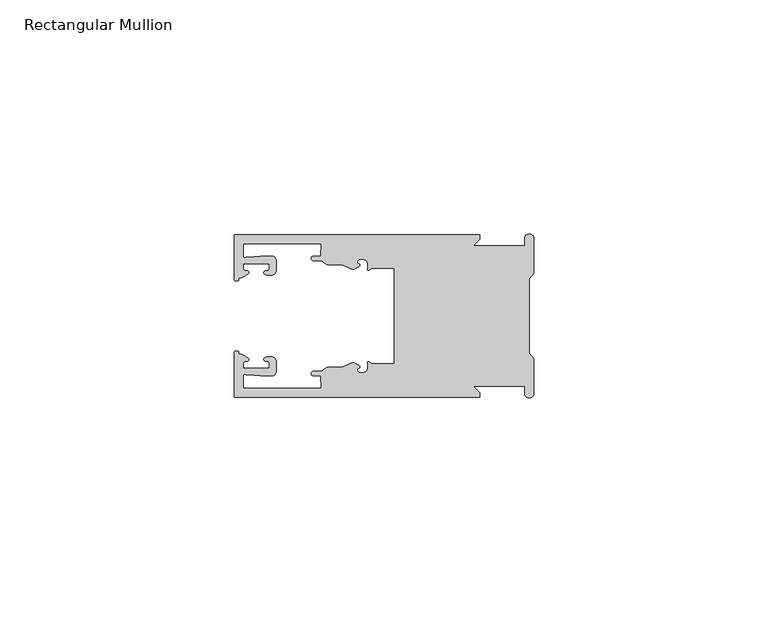
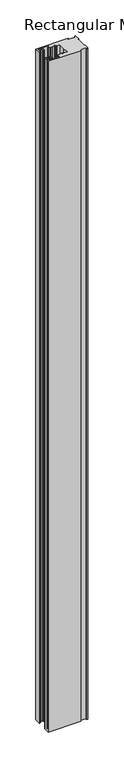
"""IFC4 building model written with IfcOpenShell, lengths in millimetres: member geometry, Rectangular Mullion."""

from ifc_helpers import new_model, si_unit, frame, origin, place, context, project, spatial, polyline, circle_curve, source, transform, mapped, element, save
from ifc_brep_helpers import plane_surface, cylinder_surface, revolved_surface, extruded_surface, spline_curve, advanced_brep


def rectangular_mullion_60d7e8dc(model_context):
    return source(origin(), model_context, "Body", "AdvancedBrep", [
        advanced_brep(
        [(-11.5387897, 17.4000478, 0.0), (-64.0387868, 17.4000478, 0.0), (-64.0387868, 7.8350057, 0.0), (-63.2884687, 7.5412947, 0.0), (-62.4614154, 8.1921895, 0.0), (-62.0410649, 9.9426451, 0.0), (-62.0424168, 11.1926444, 0.0), (-56.54242, 11.1985924, 0.0), (-56.5410682, 9.9485931, 0.0), (-57.1085345, 8.7314723, 0.0), (-56.0397166, 8.6991345, 0.0), (-55.0407987, 9.7002154, 0.0), (-55.0430697, 11.8002142, 0.0), (-56.0446364, 12.7991315, 0.0), (-58.3650753, 12.7954945, 0.0), (-61.1340054, 12.5502269, 0.0), (-62.044093, 12.7426435, 0.0), (-62.0469668, 15.4000478, 0.0), (-45.4240312, 15.4000478, 0.0), (-45.5732135, 12.8000478, 0.0), (-47.0387868, 12.8000478, 0.0), (-47.0387868, 11.8000478, 0.0), (-45.2543363, 11.8000478, 0.0), (-43.6387868, 10.9000478, 0.0), (-41.0454034, 10.9000478, 0.0), (-38.5697136, 9.8718293, 0.0), (-37.5387868, 10.4670351, 0.0), (-37.6803436, 11.4201497, 0.0), (-37.0270763, 12.1583697, 0.0), (-36.2010815, 12.0127245, 0.0), (-35.54, 11.2248783, 0.0), (-35.54, 10.0, 0.0), (-34.7705791, 10.25, 0.0), (-29.79, 10.25, 0.0), (-29.79, 0.0, 0.0), (-29.79, -10.25, 0.0), (-34.7705791, -10.25, 0.0), (-35.54, -10.0, 0.0), (-35.54, -11.2248783, 0.0), (-36.2010815, -12.0127245, 0.0), (-37.0270763, -12.1583697, 0.0), (-37.6803436, -11.4201497, 0.0), (-37.5387868, -10.4670351, 0.0), (-38.5697136, -9.8718293, 0.0), (-41.0454034, -10.9000478, 0.0), (-43.6387868, -10.9000478, 0.0), (-45.2543363, -11.8000478, 0.0), (-47.0387868, -11.8000478, 0.0), (-47.0387868, -12.8000478, 0.0), (-45.5732135, -12.8000478, 0.0), (-45.4240312, -15.4000478, 0.0), (-62.0469668, -15.4000478, 0.0), (-62.044093, -12.7426435, 0.0), (-61.1340054, -12.5502269, 0.0), (-58.3650753, -12.7954945, 0.0), (-56.0446364, -12.7991314, 0.0), (-55.0430697, -11.8002142, 0.0), (-55.0407987, -9.7002154, 0.0), (-56.0397166, -8.6991345, 0.0), (-57.1085345, -8.7314723, 0.0), (-56.5410682, -9.9485931, 0.0), (-56.54242, -11.1985924, 0.0), (-62.0424168, -11.1926444, 0.0), (-62.0410649, -9.9426451, 0.0), (-62.4614154, -8.1921895, 0.0), (-63.2884687, -7.5412947, 0.0), (-64.0387868, -7.8350057, 0.0), (-64.0387868, -17.4000478, 0.0), (-11.5387897, -17.4000478, 0.0), (-11.5387897, -16.4000449, 0.0), (-12.9388346, -15.0, 0.0), (-2.0, -15.0, 0.0), (-2.0, -16.5, 0.0), (0.0, -16.5, 0.0), (0.0, -9.1160254, 0.0), (-1.0, -7.9613249, 0.0), (-1.0, 0.0, 0.0), (-1.0, 7.9613249, 0.0), (0.0, 9.1160254, 0.0), (0.0, 16.5, 0.0), (-2.0, 16.5, 0.0), (-2.0, 15.0, 0.0), (-12.9388346, 15.0, 0.0), (-11.5387897, 16.4000449, 0.0), (-11.5387897, 17.4000478, -1143.0000002), (-11.5387897, 16.4000449, -1143.0000002), (-12.9388346, 15.0, -1143.0000002), (-2.0, 15.0, -1143.0000002), (-2.0, 16.5, -1143.0000002), (0.0, 16.5, -1143.0000002), (0.0, 9.1160254, -1143.0000002), (-1.0, 7.9613249, -1143.0000002), (-1.0, 0.0, -1143.0000002), (-1.0, -7.9613249, -1143.0000002), (0.0, -9.1160254, -1143.0000002), (0.0, -16.5, -1143.0000002), (-2.0, -16.5, -1143.0000002), (-2.0, -15.0, -1143.0000002), (-12.9388346, -15.0, -1143.0000002), (-11.5387897, -16.4000449, -1143.0000002), (-11.5387897, -17.4000478, -1143.0000002), (-64.0387868, -17.4000478, -1143.0000002), (-64.0387868, -7.8350057, -1143.0000002), (-63.2884687, -7.5412947, -1143.0000002), (-62.4614154, -8.1921895, -1143.0000002), (-62.0410649, -9.9426451, -1143.0000002), (-62.0424168, -11.1926444, -1143.0000002), (-56.54242, -11.1985924, -1143.0000002), (-56.5410682, -9.9485931, -1143.0000002), (-57.1085345, -8.7314723, -1143.0000002), (-56.0397166, -8.6991345, -1143.0000002), (-55.0407987, -9.7002154, -1143.0000002), (-55.0430697, -11.8002142, -1143.0000002), (-56.0446364, -12.7991315, -1143.0000002), (-58.3650753, -12.7954945, -1143.0000002), (-61.1340054, -12.5502269, -1143.0000002), (-62.044093, -12.7426435, -1143.0000002), (-62.0469668, -15.4000478, -1143.0000002), (-45.4240312, -15.4000478, -1143.0000002), (-45.5732135, -12.8000478, -1143.0000002), (-47.0387868, -12.8000478, -1143.0000002), (-47.0387868, -11.8000478, -1143.0000002), (-45.2543363, -11.8000478, -1143.0000002), (-43.6387868, -10.9000478, -1143.0000002), (-41.0454034, -10.9000478, -1143.0000002), (-38.5697136, -9.8718293, -1143.0000002), (-37.5387868, -10.4670351, -1143.0000002), (-37.6803436, -11.4201497, -1143.0000002), (-37.0270763, -12.1583697, -1143.0000002), (-36.2010815, -12.0127245, -1143.0000002), (-35.54, -11.2248783, -1143.0000002), (-35.54, -10.0, -1143.0000002), (-34.7705791, -10.25, -1143.0000002), (-29.79, -10.25, -1143.0000002), (-29.79, 0.0, -1143.0000002), (-29.79, 10.25, -1143.0000002), (-34.7705791, 10.25, -1143.0000002), (-35.54, 10.0, -1143.0000002), (-35.54, 11.2248783, -1143.0000002), (-36.2010815, 12.0127245, -1143.0000002), (-37.0270763, 12.1583697, -1143.0000002), (-37.6803436, 11.4201497, -1143.0000002), (-37.5387868, 10.4670351, -1143.0000002), (-38.5697136, 9.8718293, -1143.0000002), (-41.0454034, 10.9000478, -1143.0000002), (-43.6387868, 10.9000478, -1143.0000002), (-45.2543363, 11.8000478, -1143.0000002), (-47.0387868, 11.8000478, -1143.0000002), (-47.0387868, 12.8000478, -1143.0000002), (-45.5732135, 12.8000478, -1143.0000002), (-45.4240312, 15.4000478, -1143.0000002), (-62.0469668, 15.4000478, -1143.0000002), (-62.044093, 12.7426435, -1143.0000002), (-61.1340054, 12.5502269, -1143.0000002), (-58.3650753, 12.7954945, -1143.0000002), (-56.0446364, 12.7991314, -1143.0000002), (-55.0430697, 11.8002142, -1143.0000002), (-55.0407987, 9.7002154, -1143.0000002), (-56.0397166, 8.6991345, -1143.0000002), (-57.1085345, 8.7314723, -1143.0000002), (-56.5410682, 9.9485931, -1143.0000002), (-56.54242, 11.1985924, -1143.0000002), (-62.0424168, 11.1926444, -1143.0000002), (-62.0410649, 9.9426451, -1143.0000002), (-62.4614154, 8.1921895, -1143.0000002), (-63.2884687, 7.5412947, -1143.0000002), (-64.0387868, 7.8350057, -1143.0000002), (-64.0387868, 17.4000478, -1143.0000002)],
        [
            (0, 1),
            (1, 2),
            (2, 3, spline_curve(3, [(-64.0387868, 7.8350057, 0.0), (-64.038491377, 7.561831774, 0.0), (-63.788385325, 7.463928087, 0.0), (-63.2884687, 7.5412947, 0.0)], [4, 4], [0.0, 0.0019169337574178654])),
            (3, 4, spline_curve(3, [(-63.2884687, 7.5412947, 0.0), (-63.057760917, 7.582232011, 0.0), (-63.018445067, 7.725390894, 0.0), (-63.019925494, 8.056436881, 0.0), (-63.103444208, 8.236386866, 0.0), (-62.4614154, 8.1921895, 0.0)], [4, 2, 4], [0.0, 0.0010199524164107188, 0.0024874514725970356])),
            (4, 5, spline_curve(3, [(-62.4614154, 8.1921895, 0.0), (-60.988497673, 8.880962536, 0.0), (-60.794045122, 9.192776957, 0.0), (-60.949808078, 9.57023562, 0.0), (-61.145214014, 9.682771697, 0.0), (-61.665835706, 9.714019003, 0.0), (-61.965242574, 9.660891484, 0.0), (-62.0410649, 9.9426451, 0.0)], [4, 2, 2, 4], [0.0, 0.003269869179570428, 0.005490050486237203, 0.0073545767114364426])),
            (5, 6),
            (6, 7),
            (7, 8),
            (8, 9, spline_curve(3, [(-56.5410682, 9.9485931, 0.0), (-56.634838635, 9.597117104, 0.0), (-56.904956774, 9.698238818, 0.0), (-57.324171444, 9.731086209, 0.0), (-57.45969165, 9.646199885, 0.0), (-57.729003352, 9.346016011, 0.0), (-57.859492582, 9.113082158, 0.0), (-57.1085345, 8.7314723, 0.0)], [4, 2, 2, 4], [0.0, 0.001593963049934732, 0.0033360256320283306, 0.005339140673503943])),
            (9, 10),
            (10, 11, circle_curve(frame((-56.0407981, 9.699134, 0.0), z_axis=(0.0, 0.0, 1.0), x_axis=(0.0010814451158627505, -0.9999994152380598, 0.0)), 1.0)),
            (11, 12),
            (12, 13, circle_curve(frame((-56.0430691, 11.7991327, 0.0), z_axis=(0.0, 0.0, 1.0), x_axis=(0.0010814451158627505, -0.9999994152380598, 0.0)), 1.0)),
            (13, 14),
            (14, 15),
            (15, 16, spline_curve(3, [(-61.1340054, 12.5502269, 0.0), (-61.605485428, 12.508463911, 0.0), (-61.992111419, 12.303164326, 0.0), (-62.044093, 12.7426435, 0.0)], [4, 4], [0.0, 0.0014803385355886016])),
            (16, 17),
            (17, 18),
            (18, 19),
            (19, 20),
            (20, 21, circle_curve(frame((-47.0387868, 12.3000478, 0.0), z_axis=(0.0, 0.0, 1.0), x_axis=(0.0, -1.0, 0.0)), 0.5)),
            (21, 22),
            (22, 23, circle_curve(frame((-43.6387868, 12.8000478, 0.0), z_axis=(0.0, 0.0, 1.0), x_axis=(0.0, -1.0, 0.0)), 1.9)),
            (23, 24),
            (24, 25),
            (25, 26),
            (26, 27, spline_curve(3, [(-37.5387868, 10.4670351, 0.0), (-36.973919853, 10.833863985, 0.0), (-37.198159645, 11.135696286, 0.0), (-37.587892011, 11.260246073, 0.0), (-37.754584192, 11.180452419, 0.0), (-37.6803436, 11.4201497, 0.0)], [4, 2, 4], [0.0, 0.0019283703160353726, 0.003394584635652914])),
            (27, 28, circle_curve(frame((-37.0434863, 11.5147359, 0.0), z_axis=(0.0, 0.0, -1.0), x_axis=(0.0, -1.0, 0.0)), 0.643843)),
            (28, 29),
            (29, 30, circle_curve(frame((-36.34, 11.2248783, 0.0), z_axis=(0.0, 0.0, -1.0), x_axis=(0.0, -1.0, 0.0)), 0.8)),
            (30, 31),
            (31, 32, spline_curve(3, [(-35.54, 10.0, 0.0), (-35.440000238, 9.598293201, 0.0), (-35.183526594, 9.681626535, 0.0), (-34.7705791, 10.25, 0.0)], [4, 4], [0.0, 0.0027473296990141553])),
            (32, 33),
            (33, 34),
            (34, 35),
            (35, 36),
            (36, 37, spline_curve(3, [(-34.7705791, -10.25, 0.0), (-35.183526594, -9.681626535, 0.0), (-35.440000238, -9.598293201, 0.0), (-35.54, -10.0, 0.0)], [4, 4], [0.0, 0.0027473296990141553])),
            (37, 38),
            (38, 39, circle_curve(frame((-36.34, -11.2248783, 0.0), z_axis=(0.0, 0.0, -1.0), x_axis=(0.0, 1.0, 0.0)), 0.8)),
            (39, 40),
            (40, 41, circle_curve(frame((-37.0434863, -11.5147359, 0.0), z_axis=(0.0, 0.0, -1.0), x_axis=(0.0, 1.0, 0.0)), 0.643843)),
            (41, 42, spline_curve(3, [(-37.6803436, -11.4201497, 0.0), (-37.754584192, -11.180452419, 0.0), (-37.587892011, -11.260246073, 0.0), (-37.198159645, -11.135696286, 0.0), (-36.973919853, -10.833863985, 0.0), (-37.5387868, -10.4670351, 0.0)], [4, 2, 4], [0.0, 0.0014662143196175414, 0.003394584635652914])),
            (42, 43),
            (43, 44),
            (44, 45),
            (45, 46, circle_curve(frame((-43.6387868, -12.8000478, 0.0), z_axis=(0.0, 0.0, 1.0), x_axis=(0.0, 1.0, 0.0)), 1.9)),
            (46, 47),
            (47, 48, circle_curve(frame((-47.0387868, -12.3000478, 0.0), z_axis=(0.0, 0.0, 1.0), x_axis=(0.0, 1.0, 0.0)), 0.5)),
            (48, 49),
            (49, 50),
            (50, 51),
            (51, 52),
            (52, 53, spline_curve(3, [(-62.044093, -12.7426435, 0.0), (-61.992111419, -12.303164326, 0.0), (-61.605485428, -12.508463911, 0.0), (-61.1340054, -12.5502269, 0.0)], [4, 4], [0.0, 0.0014803385355886016])),
            (53, 54),
            (54, 55),
            (55, 56, circle_curve(frame((-56.0430691, -11.7991327, 0.0), z_axis=(0.0, 0.0, 1.0), x_axis=(0.001081445115855867, 0.9999994152380598, 0.0)), 1.0)),
            (56, 57),
            (57, 58, circle_curve(frame((-56.0407981, -9.699134, 0.0), z_axis=(0.0, 0.0, 1.0), x_axis=(0.001081445115855867, 0.9999994152380598, 0.0)), 1.0)),
            (58, 59),
            (59, 60, spline_curve(3, [(-57.1085345, -8.7314723, 0.0), (-57.859492582, -9.113082158, 0.0), (-57.729003352, -9.346016011, 0.0), (-57.45969165, -9.646199885, 0.0), (-57.324171444, -9.731086209, 0.0), (-56.904956774, -9.698238818, 0.0), (-56.634838635, -9.597117104, 0.0), (-56.5410682, -9.9485931, 0.0)], [4, 2, 2, 4], [0.0, 0.002003115041475612, 0.0037451776235692107, 0.005339140673503943])),
            (60, 61),
            (61, 62),
            (62, 63),
            (63, 64, spline_curve(3, [(-62.0410649, -9.9426451, 0.0), (-61.965242574, -9.660891484, 0.0), (-61.665835706, -9.714019003, 0.0), (-61.145214014, -9.682771697, 0.0), (-60.949808078, -9.57023562, 0.0), (-60.794045122, -9.192776957, 0.0), (-60.988497673, -8.880962536, 0.0), (-62.4614154, -8.1921895, 0.0)], [4, 2, 2, 4], [0.0, 0.0018645262251992395, 0.004084707531866015, 0.0073545767114364426])),
            (64, 65, spline_curve(3, [(-62.4614154, -8.1921895, 0.0), (-63.103444208, -8.236386866, 0.0), (-63.019925494, -8.056436881, 0.0), (-63.018445067, -7.725390894, 0.0), (-63.057760917, -7.582232011, 0.0), (-63.2884687, -7.5412947, 0.0)], [4, 2, 4], [0.0, 0.0014674990561863168, 0.0024874514725970356])),
            (65, 66, spline_curve(3, [(-63.2884687, -7.5412947, 0.0), (-63.788385325, -7.463928087, 0.0), (-64.038491377, -7.561831774, 0.0), (-64.0387868, -7.8350057, 0.0)], [4, 4], [0.0, 0.0019169337574178654])),
            (66, 67),
            (67, 68),
            (68, 69),
            (69, 70),
            (70, 71),
            (71, 72),
            (72, 73, circle_curve(frame((-1.0, -16.5, 0.0), z_axis=(0.0, 0.0, 1.0), x_axis=(0.0, 1.0, 0.0)), 1.0)),
            (73, 74),
            (74, 75),
            (75, 76),
            (76, 77),
            (77, 78),
            (78, 79),
            (79, 80, circle_curve(frame((-1.0, 16.5, 0.0), z_axis=(0.0, 0.0, 1.0), x_axis=(0.0, -1.0, 0.0)), 1.0)),
            (80, 81),
            (81, 82),
            (82, 83),
            (83, 0),
            (84, 85),
            (85, 86),
            (86, 87),
            (87, 88),
            (88, 89, circle_curve(frame((-1.0, 16.5, -1143.0000002), z_axis=(0.0, 0.0, -1.0), x_axis=(0.0, -1.0, 0.0)), 1.0)),
            (89, 90),
            (90, 91),
            (91, 92),
            (92, 93),
            (93, 94),
            (94, 95),
            (95, 96, circle_curve(frame((-1.0, -16.5, -1143.0000002), z_axis=(0.0, 0.0, -1.0), x_axis=(0.0, 1.0, 0.0)), 1.0)),
            (96, 97),
            (97, 98),
            (98, 99),
            (99, 100),
            (100, 101),
            (101, 102),
            (102, 103, spline_curve(3, [(-64.0387868, -7.8350057, -1143.0000002), (-64.038491377, -7.561831774, -1143.0000002), (-63.788385325, -7.463928087, -1143.0000002), (-63.2884687, -7.5412947, -1143.0000002)], [4, 4], [0.0, 0.0019169337574178654])),
            (103, 104, spline_curve(3, [(-63.2884687, -7.5412947, -1143.0000002), (-63.057760917, -7.582232011, -1143.0000002), (-63.018445067, -7.725390894, -1143.0000002), (-63.019925494, -8.056436881, -1143.0000002), (-63.103444208, -8.236386866, -1143.0000002), (-62.4614154, -8.1921895, -1143.0000002)], [4, 2, 4], [0.0, 0.0010199524164107188, 0.0024874514725970356])),
            (104, 105, spline_curve(3, [(-62.4614154, -8.1921895, -1143.0000002), (-60.988497673, -8.880962536, -1143.0000002), (-60.794045122, -9.192776957, -1143.0000002), (-60.949808078, -9.57023562, -1143.0000002), (-61.145214014, -9.682771697, -1143.0000002), (-61.665835706, -9.714019003, -1143.0000002), (-61.965242574, -9.660891484, -1143.0000002), (-62.0410649, -9.9426451, -1143.0000002)], [4, 2, 2, 4], [0.0, 0.003269869179570428, 0.005490050486237203, 0.0073545767114364426])),
            (105, 106),
            (106, 107),
            (107, 108),
            (108, 109, spline_curve(3, [(-56.5410682, -9.9485931, -1143.0000002), (-56.634838635, -9.597117104, -1143.0000002), (-56.904956774, -9.698238818, -1143.0000002), (-57.324171444, -9.731086209, -1143.0000002), (-57.45969165, -9.646199885, -1143.0000002), (-57.729003352, -9.346016011, -1143.0000002), (-57.859492582, -9.113082158, -1143.0000002), (-57.1085345, -8.7314723, -1143.0000002)], [4, 2, 2, 4], [0.0, 0.001593963049934732, 0.0033360256320283306, 0.005339140673503943])),
            (109, 110),
            (110, 111, circle_curve(frame((-56.0407981, -9.699134, -1143.0000002), z_axis=(0.0, 0.0, -1.0), x_axis=(0.001081445115855867, 0.9999994152380598, 0.0)), 1.0)),
            (111, 112),
            (112, 113, circle_curve(frame((-56.0430691, -11.7991327, -1143.0000002), z_axis=(0.0, 0.0, -1.0), x_axis=(0.001081445115855867, 0.9999994152380598, 0.0)), 1.0)),
            (113, 114),
            (114, 115),
            (115, 116, spline_curve(3, [(-61.1340054, -12.5502269, -1143.0000002), (-61.605485428, -12.508463911, -1143.0000002), (-61.992111419, -12.303164326, -1143.0000002), (-62.044093, -12.7426435, -1143.0000002)], [4, 4], [0.0, 0.0014803385355886016])),
            (116, 117),
            (117, 118),
            (118, 119),
            (119, 120),
            (120, 121, circle_curve(frame((-47.0387868, -12.3000478, -1143.0000002), z_axis=(0.0, 0.0, -1.0), x_axis=(0.0, 1.0, 0.0)), 0.5)),
            (121, 122),
            (122, 123, circle_curve(frame((-43.6387868, -12.8000478, -1143.0000002), z_axis=(0.0, 0.0, -1.0), x_axis=(0.0, 1.0, 0.0)), 1.9)),
            (123, 124),
            (124, 125),
            (125, 126),
            (126, 127, spline_curve(3, [(-37.5387868, -10.4670351, -1143.0000002), (-36.973919853, -10.833863985, -1143.0000002), (-37.198159645, -11.135696286, -1143.0000002), (-37.587892011, -11.260246073, -1143.0000002), (-37.754584192, -11.180452419, -1143.0000002), (-37.6803436, -11.4201497, -1143.0000002)], [4, 2, 4], [0.0, 0.0019283703160353726, 0.003394584635652914])),
            (127, 128, circle_curve(frame((-37.0434863, -11.5147359, -1143.0000002), z_axis=(0.0, 0.0, 1.0), x_axis=(0.0, 1.0, 0.0)), 0.643843)),
            (128, 129),
            (129, 130, circle_curve(frame((-36.34, -11.2248783, -1143.0000002), z_axis=(0.0, 0.0, 1.0), x_axis=(0.0, 1.0, 0.0)), 0.8)),
            (130, 131),
            (131, 132, spline_curve(3, [(-35.54, -10.0, -1143.0000002), (-35.440000238, -9.598293201, -1143.0000002), (-35.183526594, -9.681626535, -1143.0000002), (-34.7705791, -10.25, -1143.0000002)], [4, 4], [0.0, 0.0027473296990141553])),
            (132, 133),
            (133, 134),
            (134, 135),
            (135, 136),
            (136, 137, spline_curve(3, [(-34.7705791, 10.25, -1143.0000002), (-35.183526594, 9.681626535, -1143.0000002), (-35.440000238, 9.598293201, -1143.0000002), (-35.54, 10.0, -1143.0000002)], [4, 4], [0.0, 0.0027473296990141553])),
            (137, 138),
            (138, 139, circle_curve(frame((-36.34, 11.2248783, -1143.0000002), z_axis=(0.0, 0.0, 1.0), x_axis=(0.0, -1.0, 0.0)), 0.8)),
            (139, 140),
            (140, 141, circle_curve(frame((-37.0434863, 11.5147359, -1143.0000002), z_axis=(0.0, 0.0, 1.0), x_axis=(0.0, -1.0, 0.0)), 0.643843)),
            (141, 142, spline_curve(3, [(-37.6803436, 11.4201497, -1143.0000002), (-37.754584192, 11.180452419, -1143.0000002), (-37.587892011, 11.260246073, -1143.0000002), (-37.198159645, 11.135696286, -1143.0000002), (-36.973919853, 10.833863985, -1143.0000002), (-37.5387868, 10.4670351, -1143.0000002)], [4, 2, 4], [0.0, 0.0014662143196175414, 0.003394584635652914])),
            (142, 143),
            (143, 144),
            (144, 145),
            (145, 146, circle_curve(frame((-43.6387868, 12.8000478, -1143.0000002), z_axis=(0.0, 0.0, -1.0), x_axis=(0.0, -1.0, 0.0)), 1.9)),
            (146, 147),
            (147, 148, circle_curve(frame((-47.0387868, 12.3000478, -1143.0000002), z_axis=(0.0, 0.0, -1.0), x_axis=(0.0, -1.0, 0.0)), 0.5)),
            (148, 149),
            (149, 150),
            (150, 151),
            (151, 152),
            (152, 153, spline_curve(3, [(-62.044093, 12.7426435, -1143.0000002), (-61.992111419, 12.303164326, -1143.0000002), (-61.605485428, 12.508463911, -1143.0000002), (-61.1340054, 12.5502269, -1143.0000002)], [4, 4], [0.0, 0.0014803385355886016])),
            (153, 154),
            (154, 155),
            (155, 156, circle_curve(frame((-56.0430691, 11.7991327, -1143.0000002), z_axis=(0.0, 0.0, -1.0), x_axis=(0.0010814451158627505, -0.9999994152380598, 0.0)), 1.0)),
            (156, 157),
            (157, 158, circle_curve(frame((-56.0407981, 9.699134, -1143.0000002), z_axis=(0.0, 0.0, -1.0), x_axis=(0.0010814451158627505, -0.9999994152380598, 0.0)), 1.0)),
            (158, 159),
            (159, 160, spline_curve(3, [(-57.1085345, 8.7314723, -1143.0000002), (-57.859492582, 9.113082158, -1143.0000002), (-57.729003352, 9.346016011, -1143.0000002), (-57.45969165, 9.646199885, -1143.0000002), (-57.324171444, 9.731086209, -1143.0000002), (-56.904956774, 9.698238818, -1143.0000002), (-56.634838635, 9.597117104, -1143.0000002), (-56.5410682, 9.9485931, -1143.0000002)], [4, 2, 2, 4], [0.0, 0.002003115041475612, 0.0037451776235692107, 0.005339140673503943])),
            (160, 161),
            (161, 162),
            (162, 163),
            (163, 164, spline_curve(3, [(-62.0410649, 9.9426451, -1143.0000002), (-61.965242574, 9.660891484, -1143.0000002), (-61.665835706, 9.714019003, -1143.0000002), (-61.145214014, 9.682771697, -1143.0000002), (-60.949808078, 9.57023562, -1143.0000002), (-60.794045122, 9.192776957, -1143.0000002), (-60.988497673, 8.880962536, -1143.0000002), (-62.4614154, 8.1921895, -1143.0000002)], [4, 2, 2, 4], [0.0, 0.0018645262251992395, 0.004084707531866015, 0.0073545767114364426])),
            (164, 165, spline_curve(3, [(-62.4614154, 8.1921895, -1143.0000002), (-63.103444208, 8.236386866, -1143.0000002), (-63.019925494, 8.056436881, -1143.0000002), (-63.018445067, 7.725390894, -1143.0000002), (-63.057760917, 7.582232011, -1143.0000002), (-63.2884687, 7.5412947, -1143.0000002)], [4, 2, 4], [0.0, 0.0014674990561863168, 0.0024874514725970356])),
            (165, 166, spline_curve(3, [(-63.2884687, 7.5412947, -1143.0000002), (-63.788385325, 7.463928087, -1143.0000002), (-64.038491377, 7.561831774, -1143.0000002), (-64.0387868, 7.8350057, -1143.0000002)], [4, 4], [0.0, 0.0019169337574178654])),
            (166, 167),
            (167, 84),
            (0, 84),
            (167, 1),
            (166, 2),
            (165, 3),
            (164, 4),
            (163, 5),
            (162, 6),
            (161, 7),
            (160, 8),
            (159, 9),
            (158, 10),
            (157, 11),
            (156, 12),
            (155, 13),
            (154, 14),
            (153, 15),
            (152, 16),
            (151, 17),
            (150, 18),
            (149, 19),
            (148, 20),
            (147, 21),
            (146, 22),
            (145, 23),
            (144, 24),
            (143, 25),
            (142, 26),
            (141, 27),
            (140, 28),
            (139, 29),
            (138, 30),
            (137, 31),
            (136, 32),
            (135, 33),
            (134, 34),
            (133, 35),
            (132, 36),
            (131, 37),
            (130, 38),
            (129, 39),
            (128, 40),
            (127, 41),
            (126, 42),
            (125, 43),
            (124, 44),
            (123, 45),
            (122, 46),
            (121, 47),
            (120, 48),
            (119, 49),
            (118, 50),
            (117, 51),
            (116, 52),
            (115, 53),
            (114, 54),
            (113, 55),
            (112, 56),
            (111, 57),
            (110, 58),
            (109, 59),
            (108, 60),
            (107, 61),
            (106, 62),
            (105, 63),
            (104, 64),
            (103, 65),
            (102, 66),
            (101, 67),
            (100, 68),
            (99, 69),
            (98, 70),
            (97, 71),
            (96, 72),
            (95, 73),
            (94, 74),
            (93, 75),
            (92, 76),
            (91, 77),
            (90, 78),
            (89, 79),
            (88, 80),
            (87, 81),
            (86, 82),
            (85, 83),
        ],
        [
            plane_surface(frame((0.0, -66.3605898, 0.0), z_axis=(0.0, 0.0, 1.0), x_axis=(-1.0, 0.0, 0.0))),
            plane_surface(frame((0.0, -66.3605898, -1143.0000002), z_axis=(0.0, 0.0, -1.0), x_axis=(-1.0, 0.0, 0.0))),
            plane_surface(frame((-11.5387897, 17.4000478, 0.0), z_axis=(0.0, 1.0, 0.0), x_axis=(0.0, 0.0, -1.0))),
            plane_surface(frame((-64.0387868, 17.4000478, 0.0), z_axis=(-1.0, 0.0, 0.0), x_axis=(0.0, 0.0, -1.0))),
            extruded_surface(spline_curve(3, [(-64.0387868, 7.8350057, -1143.0000002), (-64.038491377, 7.561831774, -1143.0000002), (-63.788385325, 7.463928087, -1143.0000002), (-63.2884687, 7.5412947, -1143.0000002)], [4, 4], [0.0, 0.0019169337574178654]), (0.0, 0.0, 1143.0000002), 1143.0000002),
            extruded_surface(spline_curve(3, [(-63.2884687, 7.5412947, -1143.0000002), (-63.057760917, 7.582232011, -1143.0000002), (-63.018445067, 7.725390894, -1143.0000002), (-63.019925494, 8.056436881, -1143.0000002), (-63.103444208, 8.236386866, -1143.0000002), (-62.4614154, 8.1921895, -1143.0000002)], [4, 2, 4], [0.0, 0.0010199524164107188, 0.0024874514725970356]), (0.0, 0.0, 1143.0000002), 1143.0000002),
            extruded_surface(spline_curve(3, [(-62.4614154, 8.1921895, -1143.0000002), (-60.988497673, 8.880962536, -1143.0000002), (-60.794045122, 9.192776957, -1143.0000002), (-60.949808078, 9.57023562, -1143.0000002), (-61.145214014, 9.682771697, -1143.0000002), (-61.665835706, 9.714019003, -1143.0000002), (-61.965242574, 9.660891484, -1143.0000002), (-62.0410649, 9.9426451, -1143.0000002)], [4, 2, 2, 4], [0.0, 0.003269869179570428, 0.005490050486237203, 0.0073545767114364426]), (0.0, 0.0, 1143.0000002), 1143.0000002),
            plane_surface(frame((-62.0410649, 9.9426451, 0.0), z_axis=(0.9999994152380598, 0.0010814451158593665, 0.0), x_axis=(0.0, 0.0, -1.0))),
            plane_surface(frame((-62.0424168, 11.1926444, 0.0), z_axis=(0.0010814451158611391, -0.9999994152380598, 0.0), x_axis=(0.0, 0.0, -1.0))),
            plane_surface(frame((-56.54242, 11.1985924, 0.0), z_axis=(-0.9999994152380598, -0.0010814451158584516, 0.0), x_axis=(0.0, 0.0, -1.0))),
            extruded_surface(spline_curve(3, [(-56.5410682, 9.9485931, -1143.0000002), (-56.634838635, 9.597117104, -1143.0000002), (-56.904956774, 9.698238818, -1143.0000002), (-57.324171444, 9.731086209, -1143.0000002), (-57.45969165, 9.646199885, -1143.0000002), (-57.729003352, 9.346016011, -1143.0000002), (-57.859492582, 9.113082158, -1143.0000002), (-57.1085345, 8.7314723, -1143.0000002)], [4, 2, 2, 4], [0.0, 0.001593963049934732, 0.0033360256320283306, 0.005339140673503943]), (0.0, 0.0, 1143.0000002), 1143.0000002),
            plane_surface(frame((-57.1085345, 8.7314723, 0.0), z_axis=(-0.030241832452869922, -0.9995426111826813, 0.0), x_axis=(0.0, 0.0, -1.0))),
            cylinder_surface(frame((-56.0407981, 9.699134, 0.0), z_axis=(0.0, 0.0, 1.0000000000000002), x_axis=(0.0010814451158627505, -0.9999994152380598, 0.0)), 1.0),
            plane_surface(frame((-55.0407987, 9.7002154, 0.0), z_axis=(0.9999994152380598, 0.001081445115858722, 0.0), x_axis=(0.0, 0.0, -1.0))),
            cylinder_surface(frame((-56.0430691, 11.7991327, 0.0), z_axis=(0.0, 0.0, 1.0000000000000002), x_axis=(0.0010814451158627505, -0.9999994152380598, 0.0)), 1.0),
            plane_surface(frame((-56.0446364, 12.7991314, 0.0), z_axis=(-0.0015673183327907744, 0.9999987717558677, 0.0), x_axis=(0.0, 0.0, -1.0))),
            plane_surface(frame((-58.3650753, 12.7954945, 0.0), z_axis=(-0.08823302167299531, 0.9960998614026874, 0.0), x_axis=(0.0, 0.0, -1.0))),
            extruded_surface(spline_curve(3, [(-61.1340054, 12.5502269, -1143.0000002), (-61.605485428, 12.508463911, -1143.0000002), (-61.992111419, 12.303164326, -1143.0000002), (-62.044093, 12.7426435, -1143.0000002)], [4, 4], [0.0, 0.0014803385355886016]), (0.0, 0.0, 1143.0000002), 1143.0000002),
            plane_surface(frame((-62.044093, 12.7426435, 0.0), z_axis=(0.9999994152380598, 0.0010814451158597813, 0.0), x_axis=(0.0, 0.0, -1.0))),
            plane_surface(frame((-62.0469668, 15.4000478, 0.0), z_axis=(0.0, -1.0, 0.0), x_axis=(0.0, 0.0, -1.0))),
            plane_surface(frame((-45.4240312, 15.4000478, 0.0), z_axis=(-0.9983579461523547, 0.05728360458675776, 0.0), x_axis=(0.0, 0.0, -1.0))),
            plane_surface(frame((-45.5732135, 12.8000478, 0.0), z_axis=(0.0, 1.0, 0.0), x_axis=(0.0, 0.0, -1.0))),
            cylinder_surface(frame((-47.0387868, 12.3000478, 0.0), z_axis=(0.0, 0.0, 1.0), x_axis=(0.0, -1.0, 0.0)), 0.5),
            plane_surface(frame((-47.0387868, 11.8000478, 0.0), z_axis=(0.0, -1.0, 0.0), x_axis=(0.0, 0.0, -1.0))),
            cylinder_surface(frame((-43.6387868, 12.8000478, 0.0), z_axis=(0.0, 0.0, 1.0), x_axis=(0.0, -1.0, 0.0)), 1.9),
            plane_surface(frame((-43.6387868, 10.9000478, 0.0), z_axis=(0.0, -1.0, 0.0), x_axis=(0.0, 0.0, -1.0))),
            plane_surface(frame((-41.0454034, 10.9000478, 0.0), z_axis=(-0.3835602140750569, -0.9235158700199453, 0.0), x_axis=(0.0, 0.0, -1.0))),
            plane_surface(frame((-38.5697136, 9.8718293, 0.0), z_axis=(0.5000000000252295, -0.8660254037698725, 0.0), x_axis=(0.0, 0.0, -1.0))),
            extruded_surface(spline_curve(3, [(-37.5387868, 10.4670351, -1143.0000002), (-36.973919853, 10.833863985, -1143.0000002), (-37.198159645, 11.135696286, -1143.0000002), (-37.587892011, 11.260246073, -1143.0000002), (-37.754584192, 11.180452419, -1143.0000002), (-37.6803436, 11.4201497, -1143.0000002)], [4, 2, 4], [0.0, 0.0019283703160353726, 0.003394584635652914]), (0.0, 0.0, 1143.0000002), 1143.0000002),
            revolved_surface(polyline([(-37.0434863, 10.8708929, -1143.0000002), (-37.0434863, 10.8708929, 0.0)]), (-37.0434863, 11.5147359, 0.0), (0.0, 0.0, -1.0)),
            plane_surface(frame((-37.0270763, 12.1583697, 0.0), z_axis=(-0.17364817767050408, -0.984807753011578, 0.0), x_axis=(0.0, 0.0, -1.0))),
            revolved_surface(polyline([(-36.34, 10.4248783, -1143.0000002), (-36.34, 10.4248783, 0.0)]), (-36.34, 11.2248783, 0.0), (0.0, 0.0, -1.0)),
            plane_surface(frame((-35.54, 11.2248783, 0.0), z_axis=(-1.0, 0.0, 0.0), x_axis=(0.0, 0.0, -1.0))),
            extruded_surface(spline_curve(3, [(-35.54, 10.0, -1143.0000002), (-35.440000238, 9.598293201, -1143.0000002), (-35.183526594, 9.681626535, -1143.0000002), (-34.7705791, 10.25, -1143.0000002)], [4, 4], [0.0, 0.0027473296990141553]), (0.0, 0.0, 1143.0000002), 1143.0000002),
            plane_surface(frame((-34.7705791, 10.25, 0.0), z_axis=(0.0, -1.0, 0.0), x_axis=(0.0, 0.0, -1.0))),
            plane_surface(frame((-29.79, 10.25, 0.0), z_axis=(-1.0, 0.0, 0.0), x_axis=(0.0, 0.0, -1.0))),
            plane_surface(frame((-29.79, 0.0, 0.0), z_axis=(-1.0, 0.0, 0.0), x_axis=(0.0, 0.0, -1.0))),
            plane_surface(frame((-29.79, -10.25, 0.0), z_axis=(0.0, 1.0, 0.0), x_axis=(0.0, 0.0, -1.0))),
            extruded_surface(spline_curve(3, [(-34.7705791, -10.25, -1143.0000002), (-35.183526594, -9.681626535, -1143.0000002), (-35.440000238, -9.598293201, -1143.0000002), (-35.54, -10.0, -1143.0000002)], [4, 4], [0.0, 0.0027473296990141553]), (0.0, 0.0, 1143.0000002), 1143.0000002),
            plane_surface(frame((-35.54, -10.0, 0.0), z_axis=(-1.0, 0.0, 0.0), x_axis=(0.0, 0.0, -1.0))),
            revolved_surface(polyline([(-36.34, -10.4248783, -1143.0000002), (-36.34, -10.4248783, 0.0)]), (-36.34, -11.2248783, 0.0), (0.0, 0.0, -1.0)),
            plane_surface(frame((-36.2010815, -12.0127245, 0.0), z_axis=(-0.17364817767051083, 0.9848077530115767, 0.0), x_axis=(0.0, 0.0, -1.0))),
            revolved_surface(polyline([(-37.0434863, -10.8708929, -1143.0000002), (-37.0434863, -10.8708929, 0.0)]), (-37.0434863, -11.5147359, 0.0), (0.0, 0.0, -1.0)),
            extruded_surface(spline_curve(3, [(-37.6803436, -11.4201497, -1143.0000002), (-37.754584192, -11.180452419, -1143.0000002), (-37.587892011, -11.260246073, -1143.0000002), (-37.198159645, -11.135696286, -1143.0000002), (-36.973919853, -10.833863985, -1143.0000002), (-37.5387868, -10.4670351, -1143.0000002)], [4, 2, 4], [0.0, 0.0014662143196175414, 0.003394584635652914]), (0.0, 0.0, 1143.0000002), 1143.0000002),
            plane_surface(frame((-37.5387868, -10.4670351, 0.0), z_axis=(0.5000000000252234, 0.8660254037698759, 0.0), x_axis=(0.0, 0.0, -1.0))),
            plane_surface(frame((-38.5697136, -9.8718293, 0.0), z_axis=(-0.38356021407506324, 0.9235158700199426, 0.0), x_axis=(0.0, 0.0, -1.0))),
            plane_surface(frame((-41.0454034, -10.9000478, 0.0), z_axis=(0.0, 1.0, 0.0), x_axis=(0.0, 0.0, -1.0))),
            cylinder_surface(frame((-43.6387868, -12.8000478, 0.0), z_axis=(0.0, 0.0, 1.0), x_axis=(0.0, 1.0, 0.0)), 1.9),
            plane_surface(frame((-45.2543363, -11.8000478, 0.0), z_axis=(0.0, 1.0, 0.0), x_axis=(0.0, 0.0, -1.0))),
            cylinder_surface(frame((-47.0387868, -12.3000478, 0.0), z_axis=(0.0, 0.0, 1.0), x_axis=(0.0, 1.0, 0.0)), 0.5),
            plane_surface(frame((-47.0387868, -12.8000478, 0.0), z_axis=(0.0, -1.0, 0.0), x_axis=(0.0, 0.0, -1.0))),
            plane_surface(frame((-45.5732135, -12.8000478, 0.0), z_axis=(-0.9983579461523543, -0.05728360458676463, 0.0), x_axis=(0.0, 0.0, -1.0))),
            plane_surface(frame((-45.4240312, -15.4000478, 0.0), z_axis=(0.0, 1.0, 0.0), x_axis=(0.0, 0.0, -1.0))),
            plane_surface(frame((-62.0469668, -15.4000478, 0.0), z_axis=(0.9999994152380598, -0.001081445115852898, 0.0), x_axis=(0.0, 0.0, -1.0))),
            extruded_surface(spline_curve(3, [(-62.044093, -12.7426435, -1143.0000002), (-61.992111419, -12.303164326, -1143.0000002), (-61.605485428, -12.508463911, -1143.0000002), (-61.1340054, -12.5502269, -1143.0000002)], [4, 4], [0.0, 0.0014803385355886016]), (0.0, 0.0, 1143.0000002), 1143.0000002),
            plane_surface(frame((-61.1340054, -12.5502269, 0.0), z_axis=(-0.08823302167298844, -0.9960998614026879, 0.0), x_axis=(0.0, 0.0, -1.0))),
            plane_surface(frame((-58.3650753, -12.7954945, 0.0), z_axis=(-0.001567318332783891, -0.9999987717558677, 0.0), x_axis=(0.0, 0.0, -1.0))),
            cylinder_surface(frame((-56.0430691, -11.7991327, 0.0), z_axis=(0.0, 0.0, 1.0000000000000002), x_axis=(0.001081445115855867, 0.9999994152380598, 0.0)), 1.0),
            plane_surface(frame((-55.0430697, -11.8002142, 0.0), z_axis=(0.9999994152380598, -0.0010814451158518386, 0.0), x_axis=(0.0, 0.0, -1.0))),
            cylinder_surface(frame((-56.0407981, -9.699134, 0.0), z_axis=(0.0, 0.0, 1.0000000000000002), x_axis=(0.001081445115855867, 0.9999994152380598, 0.0)), 1.0),
            plane_surface(frame((-56.0397166, -8.6991345, 0.0), z_axis=(-0.030241832452876805, 0.9995426111826811, 0.0), x_axis=(0.0, 0.0, -1.0))),
            extruded_surface(spline_curve(3, [(-57.1085345, -8.7314723, -1143.0000002), (-57.859492582, -9.113082158, -1143.0000002), (-57.729003352, -9.346016011, -1143.0000002), (-57.45969165, -9.646199885, -1143.0000002), (-57.324171444, -9.731086209, -1143.0000002), (-56.904956774, -9.698238818, -1143.0000002), (-56.634838635, -9.597117104, -1143.0000002), (-56.5410682, -9.9485931, -1143.0000002)], [4, 2, 2, 4], [0.0, 0.002003115041475612, 0.0037451776235692107, 0.005339140673503943]), (0.0, 0.0, 1143.0000002), 1143.0000002),
            plane_surface(frame((-56.5410682, -9.9485931, 0.0), z_axis=(-0.9999994152380598, 0.0010814451158515682, 0.0), x_axis=(0.0, 0.0, -1.0))),
            plane_surface(frame((-56.54242, -11.1985924, 0.0), z_axis=(0.0010814451158542558, 0.9999994152380598, 0.0), x_axis=(0.0, 0.0, -1.0))),
            plane_surface(frame((-62.0424168, -11.1926444, 0.0), z_axis=(0.9999994152380598, -0.001081445115852483, 0.0), x_axis=(0.0, 0.0, -1.0))),
            extruded_surface(spline_curve(3, [(-62.0410649, -9.9426451, -1143.0000002), (-61.965242574, -9.660891484, -1143.0000002), (-61.665835706, -9.714019003, -1143.0000002), (-61.145214014, -9.682771697, -1143.0000002), (-60.949808078, -9.57023562, -1143.0000002), (-60.794045122, -9.192776957, -1143.0000002), (-60.988497673, -8.880962536, -1143.0000002), (-62.4614154, -8.1921895, -1143.0000002)], [4, 2, 2, 4], [0.0, 0.0018645262251992395, 0.004084707531866015, 0.0073545767114364426]), (0.0, 0.0, 1143.0000002), 1143.0000002),
            extruded_surface(spline_curve(3, [(-62.4614154, -8.1921895, -1143.0000002), (-63.103444208, -8.236386866, -1143.0000002), (-63.019925494, -8.056436881, -1143.0000002), (-63.018445067, -7.725390894, -1143.0000002), (-63.057760917, -7.582232011, -1143.0000002), (-63.2884687, -7.5412947, -1143.0000002)], [4, 2, 4], [0.0, 0.0014674990561863168, 0.0024874514725970356]), (0.0, 0.0, 1143.0000002), 1143.0000002),
            extruded_surface(spline_curve(3, [(-63.2884687, -7.5412947, -1143.0000002), (-63.788385325, -7.463928087, -1143.0000002), (-64.038491377, -7.561831774, -1143.0000002), (-64.0387868, -7.8350057, -1143.0000002)], [4, 4], [0.0, 0.0019169337574178654]), (0.0, 0.0, 1143.0000002), 1143.0000002),
            plane_surface(frame((-64.0387868, -7.8350057, 0.0), z_axis=(-1.0, 0.0, 0.0), x_axis=(0.0, 0.0, -1.0))),
            plane_surface(frame((-64.0387868, -17.4000478, 0.0), z_axis=(0.0, -1.0, 0.0), x_axis=(0.0, 0.0, -1.0))),
            plane_surface(frame((-11.5387897, -17.4000478, 0.0), z_axis=(1.0, 0.0, 0.0), x_axis=(0.0, 0.0, -1.0))),
            plane_surface(frame((-11.5387897, -16.4000449, 0.0), z_axis=(0.7071067811865457, 0.7071067811865493, 0.0), x_axis=(0.0, 0.0, -1.0))),
            plane_surface(frame((-12.9388346, -15.0, 0.0), z_axis=(0.0, -1.0, 0.0), x_axis=(0.0, 0.0, -1.0))),
            plane_surface(frame((-2.0, -15.0, 0.0), z_axis=(-1.0, 0.0, 0.0), x_axis=(0.0, 0.0, -1.0))),
            cylinder_surface(frame((-1.0, -16.5, 0.0), z_axis=(0.0, 0.0, 1.0), x_axis=(0.0, 1.0, 0.0)), 1.0),
            plane_surface(frame((0.0, -16.5, 0.0), z_axis=(1.0, 0.0, 0.0), x_axis=(0.0, 0.0, -1.0))),
            plane_surface(frame((0.0, -9.1160254, 0.0), z_axis=(0.7559289460231527, 0.6546536707025522, 0.0), x_axis=(0.0, 0.0, -1.0))),
            plane_surface(frame((-1.0, -7.9613249, 0.0), z_axis=(1.0, 0.0, 0.0), x_axis=(0.0, 0.0, -1.0))),
            plane_surface(frame((-1.0, 0.0, 0.0), z_axis=(1.0, 0.0, 0.0), x_axis=(0.0, 0.0, -1.0))),
            plane_surface(frame((-1.0, 7.9613249, 0.0), z_axis=(0.7559289460231571, -0.654653670702547, 0.0), x_axis=(0.0, 0.0, -1.0))),
            plane_surface(frame((0.0, 9.1160254, 0.0), z_axis=(1.0, 0.0, 0.0), x_axis=(0.0, 0.0, -1.0))),
            cylinder_surface(frame((-1.0, 16.5, 0.0), z_axis=(0.0, 0.0, 1.0), x_axis=(0.0, -1.0, 0.0)), 1.0),
            plane_surface(frame((-2.0, 16.5, 0.0), z_axis=(-1.0, 0.0, 0.0), x_axis=(0.0, 0.0, -1.0))),
            plane_surface(frame((-2.0, 15.0, 0.0), z_axis=(0.0, 1.0, 0.0), x_axis=(0.0, 0.0, -1.0))),
            plane_surface(frame((-12.9388346, 15.0, 0.0), z_axis=(0.7071067811865507, -0.7071067811865446, 0.0), x_axis=(0.0, 0.0, -1.0))),
            plane_surface(frame((-11.5387897, 16.4000449, 0.0), z_axis=(1.0, 0.0, 0.0), x_axis=(0.0, 0.0, -1.0))),
        ],
        [
            (0, [[1, 2, 3, 4, 5, 6, 7, 8, 9, 10, 11, 12, 13, 14, 15, 16, 17, 18, 19, 20, 21, 22, 23, 24, 25, 26, 27, 28, 29, 30, 31, 32, 33, 34, 35, 36, 37, 38, 39, 40, 41, 42, 43, 44, 45, 46, 47, 48, 49, 50, 51, 52, 53, 54, 55, 56, 57, 58, 59, 60, 61, 62, 63, 64, 65, 66, 67, 68, 69, 70, 71, 72, 73, 74, 75, 76, 77, 78, 79, 80, 81, 82, 83, 84]]),
            (1, [[85, 86, 87, 88, 89, 90, 91, 92, 93, 94, 95, 96, 97, 98, 99, 100, 101, 102, 103, 104, 105, 106, 107, 108, 109, 110, 111, 112, 113, 114, 115, 116, 117, 118, 119, 120, 121, 122, 123, 124, 125, 126, 127, 128, 129, 130, 131, 132, 133, 134, 135, 136, 137, 138, 139, 140, 141, 142, 143, 144, 145, 146, 147, 148, 149, 150, 151, 152, 153, 154, 155, 156, 157, 158, 159, 160, 161, 162, 163, 164, 165, 166, 167, 168]]),
            (2, [[-1, 169, -168, 170]]),
            (3, [[-2, -170, -167, 171]]),
            (4, [[-3, -171, -166, 172]]),
            (5, [[-4, -172, -165, 173]]),
            (6, [[-5, -173, -164, 174]]),
            (7, [[-6, -174, -163, 175]]),
            (8, [[-7, -175, -162, 176]]),
            (9, [[-8, -176, -161, 177]]),
            (10, [[-9, -177, -160, 178]]),
            (11, [[-10, -178, -159, 179]]),
            (12, [[-11, -179, -158, 180]]),
            (13, [[-12, -180, -157, 181]]),
            (14, [[-13, -181, -156, 182]]),
            (15, [[-14, -182, -155, 183]]),
            (16, [[-15, -183, -154, 184]]),
            (17, [[-16, -184, -153, 185]]),
            (18, [[-17, -185, -152, 186]]),
            (19, [[-18, -186, -151, 187]]),
            (20, [[-19, -187, -150, 188]]),
            (21, [[-20, -188, -149, 189]]),
            (22, [[-21, -189, -148, 190]]),
            (23, [[-22, -190, -147, 191]]),
            (24, [[-23, -191, -146, 192]]),
            (25, [[-24, -192, -145, 193]]),
            (26, [[-25, -193, -144, 194]]),
            (27, [[-26, -194, -143, 195]]),
            (28, [[-27, -195, -142, 196]]),
            (29, [[-28, -196, -141, 197]]),
            (30, [[-29, -197, -140, 198]]),
            (31, [[-30, -198, -139, 199]]),
            (32, [[-31, -199, -138, 200]]),
            (33, [[-32, -200, -137, 201]]),
            (34, [[-33, -201, -136, 202]]),
            (35, [[-34, -202, -135, 203]]),
            (36, [[-35, -203, -134, 204]]),
            (37, [[-36, -204, -133, 205]]),
            (38, [[-37, -205, -132, 206]]),
            (39, [[-38, -206, -131, 207]]),
            (40, [[-39, -207, -130, 208]]),
            (41, [[-40, -208, -129, 209]]),
            (42, [[-41, -209, -128, 210]]),
            (43, [[-42, -210, -127, 211]]),
            (44, [[-43, -211, -126, 212]]),
            (45, [[-44, -212, -125, 213]]),
            (46, [[-45, -213, -124, 214]]),
            (47, [[-46, -214, -123, 215]]),
            (48, [[-47, -215, -122, 216]]),
            (49, [[-48, -216, -121, 217]]),
            (50, [[-49, -217, -120, 218]]),
            (51, [[-50, -218, -119, 219]]),
            (52, [[-51, -219, -118, 220]]),
            (53, [[-52, -220, -117, 221]]),
            (54, [[-53, -221, -116, 222]]),
            (55, [[-54, -222, -115, 223]]),
            (56, [[-55, -223, -114, 224]]),
            (57, [[-56, -224, -113, 225]]),
            (58, [[-57, -225, -112, 226]]),
            (59, [[-58, -226, -111, 227]]),
            (60, [[-59, -227, -110, 228]]),
            (61, [[-60, -228, -109, 229]]),
            (62, [[-61, -229, -108, 230]]),
            (63, [[-62, -230, -107, 231]]),
            (64, [[-63, -231, -106, 232]]),
            (65, [[-64, -232, -105, 233]]),
            (66, [[-65, -233, -104, 234]]),
            (67, [[-66, -234, -103, 235]]),
            (68, [[-67, -235, -102, 236]]),
            (69, [[-68, -236, -101, 237]]),
            (70, [[-69, -237, -100, 238]]),
            (71, [[-70, -238, -99, 239]]),
            (72, [[-71, -239, -98, 240]]),
            (73, [[-72, -240, -97, 241]]),
            (74, [[-73, -241, -96, 242]]),
            (75, [[-74, -242, -95, 243]]),
            (76, [[-75, -243, -94, 244]]),
            (77, [[-76, -244, -93, 245]]),
            (78, [[-77, -245, -92, 246]]),
            (79, [[-78, -246, -91, 247]]),
            (80, [[-79, -247, -90, 248]]),
            (81, [[-80, -248, -89, 249]]),
            (82, [[-81, -249, -88, 250]]),
            (83, [[-82, -250, -87, 251]]),
            (84, [[-83, -251, -86, 252]]),
            (85, [[-84, -252, -85, -169]]),
        ],
    ),
    ])


if __name__ == "__main__":
    model = new_model("IFC4")
    model_context = context("Model", 3, world=origin())
    ifc_project = project(units=[si_unit("LENGTHUNIT", "METRE", prefix="MILLI")], contexts=[model_context])
    site = spatial("IfcSite", under=ifc_project)
    building = spatial("IfcBuilding", under=site)
    placement = place(None, origin())
    rectangular_mullion_shape = rectangular_mullion_60d7e8dc(model_context)
    element("IfcMember", 1, ObjectType="Rectangular Mullion", at=placement, inside=building, context=model_context, shape_type="MappedRepresentation", body=[
        mapped(rectangular_mullion_shape, transform((0.0, 0.0, 0.0), x_axis=(1.0, 0.0, 0.0), y_axis=(0.0, 1.0, 0.0), z_axis=(0.0, 0.0, 1.0))),
    ])
    save(model, "model.ifc")
